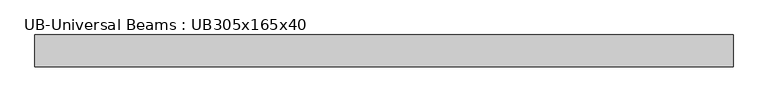
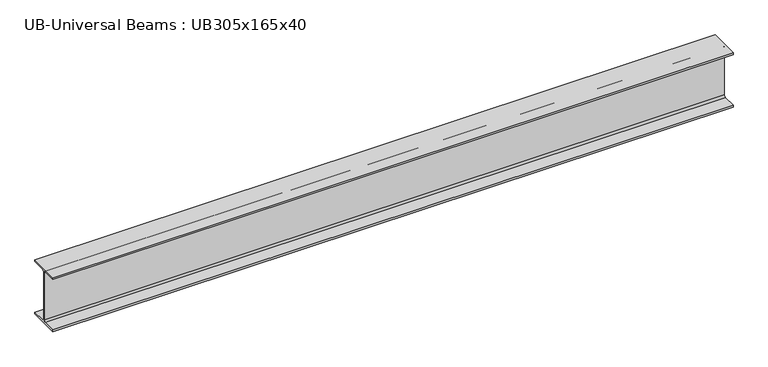
"""IFC4 building model written with IfcOpenShell, lengths in millimetres: beam geometry, UB-Universal Beams : UB305x165x40."""

from ifc_helpers import new_model, si_unit, point, frame, frame_2d, origin, place, context, project, spatial, polyline, circle_curve, trimmed, segment, composite_curve, outline, extrude, source, transform, mapped, element, save


def ub_universal_beams_ub305x165x40_a6368e50(model_context):
    return source(origin(), model_context, "Body", "SweptSolid", [
        extrude(outline(composite_curve([segment(polyline([(82.5, -141.5), (82.5, -151.7), (-82.5, -151.7), (-82.5, -141.5), (-11.9, -141.5)]), True, "CONTINUOUS"), segment(trimmed(circle_curve(frame_2d((-11.9, -132.6)), 8.9), [point((-11.9, -141.5))], [point((-3.0, -132.6))], True, "CARTESIAN"), True, "CONTINUOUS"), segment(polyline([(-3.0, -132.6), (-3.0, 132.6)]), True, "CONTINUOUS"), segment(trimmed(circle_curve(frame_2d((-11.9, 132.6)), 8.9), [point((-3.0, 132.6))], [point((-11.9, 141.5))], True, "CARTESIAN"), True, "CONTINUOUS"), segment(polyline([(-11.9, 141.5), (-82.5, 141.5), (-82.5, 151.7), (82.5, 151.7), (82.5, 141.5), (11.9, 141.5)]), True, "CONTINUOUS"), segment(trimmed(circle_curve(frame_2d((11.9, 132.6)), 8.9), [point((11.9, 141.5))], [point((3.0, 132.6))], True, "CARTESIAN"), True, "CONTINUOUS"), segment(polyline([(3.0, 132.6), (3.0, -132.6)]), True, "CONTINUOUS"), segment(trimmed(circle_curve(frame_2d((11.9, -132.6)), 8.9), [point((3.0, -132.6))], [point((11.9, -141.5))], True, "CARTESIAN"), True, "CONTINUOUS"), segment(polyline([(11.9, -141.5), (82.5, -141.5)]), True, "CONTINUOUS")], self_intersect=False)), frame((-1882.5, 0.0, 0.0), z_axis=(1.0, 0.0, 0.0), x_axis=(0.0, 1.0, 0.0)), (0.0, 0.0, 1.0), 3600.0),
    ])


if __name__ == "__main__":
    model = new_model("IFC4")
    model_context = context("Model", 3, world=origin())
    ifc_project = project(units=[si_unit("LENGTHUNIT", "METRE", prefix="MILLI")], contexts=[model_context])
    site = spatial("IfcSite", under=ifc_project)
    building = spatial("IfcBuilding", under=site)
    placement = place(None, origin())
    ub_universal_beams_ub305x165x40_shape = ub_universal_beams_ub305x165x40_a6368e50(model_context)
    element("IfcBeam", 1, ObjectType="UB-Universal Beams : UB305x165x40", at=placement, inside=building, context=model_context, shape_type="MappedRepresentation", body=[
        mapped(ub_universal_beams_ub305x165x40_shape, transform((0.0, 0.0, 0.0), x_axis=(1.0, 0.0, 0.0), y_axis=(0.0, 1.0, 0.0), z_axis=(0.0, 0.0, 1.0))),
    ])
    save(model, "model.ifc")
